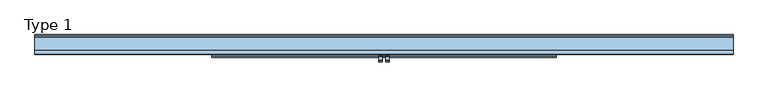
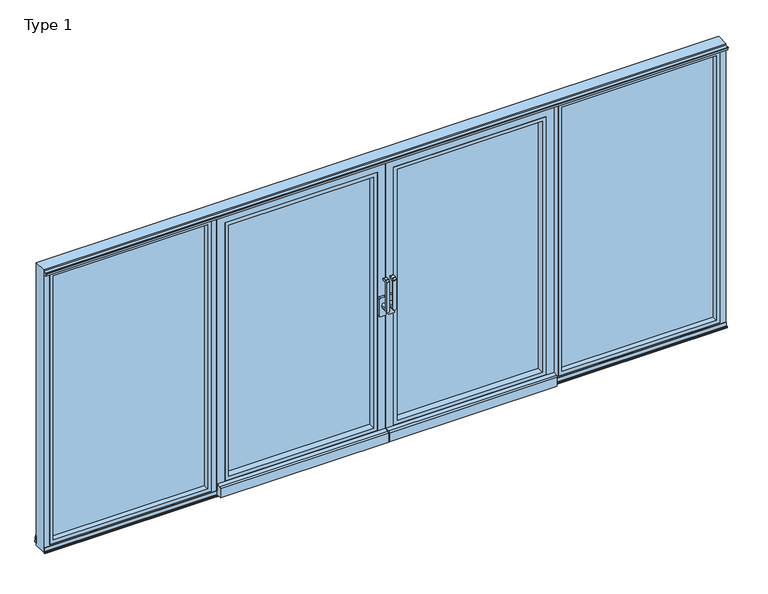
"""IFC4 building model written with IfcOpenShell, lengths in millimetres: window geometry, Type 1."""

from ifc_helpers import new_model, si_unit, point, frame, frame_2d, origin, place, context, project, spatial, polyline, circle_curve, trimmed, segment, composite_curve, outline, extrude, faceted_brep, source, transform, mapped, element, save
from ifc_brep_helpers import plane_surface, cylinder_surface, revolved_surface, advanced_brep


def type_1_d0dbc4e7(model_context):
    return source(origin(), model_context, "Body", "SolidModel", [
        advanced_brep(
        [(13.0, -24.481016, 1279.4856576), (13.0, -24.481016, 1060.0), (37.0, -24.481016, 1060.0), (37.0, -24.481016, 1279.4856576), (13.0, 31.000412, 1060.0), (13.0, 31.000412, 1076.0), (37.0, 31.000412, 1076.0), (37.0, 31.000412, 1060.0), (37.0, -12.481016, 1269.8990577), (37.0, -12.481016, 1076.0), (13.0, -12.481016, 1076.0), (13.0, -12.481016, 1269.8990577), (13.0, -5.130356, 1277.2497177), (37.0, -5.130356, 1277.2497177), (13.0, 15.518984, 1277.2497177), (37.0, 15.518984, 1277.2497177), (13.0, 17.518984, 1279.2497177), (37.0, 17.518984, 1279.2497177), (13.0, 17.518984, 1290.2497177), (37.0, 17.518984, 1290.2497177), (13.0, 15.518984, 1292.2497177), (37.0, 15.518984, 1292.2497177), (13.0, -11.7169559, 1292.2497177), (37.0, -11.7169559, 1292.2497177), (13.0, -13.1311695, 1291.6639313), (37.0, -13.1311695, 1291.6639313), (13.0, -23.8952296, 1280.8998712), (37.0, -23.8952296, 1280.8998712)],
        [
            (0, 1),
            (1, 2, circle_curve(frame((25.0, -24.481016, 1060.0), z_axis=(0.0, -1.0, 0.0), x_axis=(-1.0000000000000004, 0.0, 0.0)), 12.0)),
            (2, 3),
            (3, 0),
            (4, 5),
            (5, 6, circle_curve(frame((25.0, 31.000412, 1076.0), z_axis=(0.0, 1.0, 0.0), x_axis=(-1.0000000000000004, 0.0, 0.0)), 12.0)),
            (6, 7),
            (7, 4, circle_curve(frame((25.0, 31.000412, 1060.0), z_axis=(0.0, 1.0, 0.0), x_axis=(-1.0000000000000004, 0.0, 0.0)), 12.0)),
            (7, 2),
            (1, 4),
            (8, 9),
            (9, 10, circle_curve(frame((25.0, -12.481016, 1076.0), z_axis=(0.0, -1.0, 0.0), x_axis=(-1.0000000000000004, 0.0, 0.0)), 12.0)),
            (10, 11),
            (11, 8),
            (12, 13),
            (13, 8, circle_curve(frame((37.0, -5.130356, 1269.8990577), z_axis=(1.0, 0.0, 0.0), x_axis=(0.0, 0.0, -1.0)), 7.35066)),
            (11, 12, circle_curve(frame((13.0, -5.130356, 1269.8990577), z_axis=(-1.0, 0.0, 0.0), x_axis=(0.0, 0.0, -1.0)), 7.35066)),
            (14, 15),
            (15, 13),
            (12, 14),
            (16, 17),
            (17, 15, circle_curve(frame((37.0, 15.518984, 1279.2497177), z_axis=(-1.0, 0.0, 0.0), x_axis=(0.0, 0.0, -1.0)), 2.0)),
            (14, 16, circle_curve(frame((13.0, 15.518984, 1279.2497177), z_axis=(1.0, 0.0, 0.0), x_axis=(0.0, 0.0, -1.0)), 2.0)),
            (18, 19),
            (19, 17),
            (16, 18),
            (20, 21),
            (21, 19, circle_curve(frame((37.0, 15.518984, 1290.2497177), z_axis=(-1.0, 0.0, 0.0), x_axis=(0.0, 0.0, -1.0)), 2.0)),
            (18, 20, circle_curve(frame((13.0, 15.518984, 1290.2497177), z_axis=(1.0, 0.0, 0.0), x_axis=(0.0, 0.0, -1.0)), 2.0)),
            (22, 23),
            (23, 21),
            (20, 22),
            (24, 25),
            (25, 23, circle_curve(frame((37.0, -11.7169559, 1290.2497177), z_axis=(-1.0, 0.0, 0.0), x_axis=(0.0, 0.0, -1.0)), 2.0)),
            (22, 24, circle_curve(frame((13.0, -11.7169559, 1290.2497177), z_axis=(1.0, 0.0, 0.0), x_axis=(0.0, 0.0, -1.0)), 2.0)),
            (26, 27),
            (27, 25),
            (24, 26),
            (3, 27, circle_curve(frame((37.0, -22.481016, 1279.4856576), z_axis=(-1.0, 0.0, 0.0), x_axis=(0.0, 0.0, -1.0)), 2.0)),
            (26, 0, circle_curve(frame((13.0, -22.481016, 1279.4856576), z_axis=(1.0, 0.0, 0.0), x_axis=(0.0, 0.0, -1.0)), 2.0)),
            (10, 5),
            (9, 6),
        ],
        [
            plane_surface(frame((13.0, -24.481016, 1078.0), z_axis=(0.0, -1.0, 0.0), x_axis=(0.0, 0.0, 1.0))),
            plane_surface(frame((13.0, 31.000412, 1078.0), z_axis=(0.0, 1.0, 0.0), x_axis=(0.0, 0.0, -1.0))),
            cylinder_surface(frame((25.0, 31.000412, 1060.0), z_axis=(0.0, -1.0000000000000004, 0.0), x_axis=(-1.0000000000000004, 0.0, 0.0)), 12.0),
            plane_surface(frame((13.0, -12.481016, 1060.0), z_axis=(0.0, 1.0, 0.0), x_axis=(1.0, 0.0, 0.0))),
            revolved_surface(polyline([(37.0, -5.130356, 1262.5483977), (12.999999999999979, -5.130356, 1262.5483977)]), (37.0, -5.130356, 1269.8990577), (1.0000000000000004, 0.0, 0.0)),
            plane_surface(frame((13.0, -5.130356, 1277.2497177), z_axis=(0.0, 0.0, -1.0), x_axis=(1.0, 0.0, 0.0))),
            cylinder_surface(frame((37.0, 15.518984, 1279.2497177), z_axis=(-1.0000000000000004, 0.0, 0.0), x_axis=(0.0, 0.0, -1.0)), 2.0),
            plane_surface(frame((13.0, 17.518984, 1279.2497177), z_axis=(0.0, 1.0, 0.0), x_axis=(1.0, 0.0, 0.0))),
            cylinder_surface(frame((37.0, 15.518984, 1290.2497177), z_axis=(-1.0000000000000004, 0.0, 0.0), x_axis=(0.0, 0.0, -1.0)), 2.0),
            plane_surface(frame((13.0, 15.518984, 1292.2497177), z_axis=(0.0, 0.0, 1.0), x_axis=(1.0, 0.0, 0.0))),
            cylinder_surface(frame((37.0, -11.7169559, 1290.2497177), z_axis=(-1.0000000000000004, 0.0, 0.0), x_axis=(0.0, 0.0, -1.0)), 2.0),
            plane_surface(frame((13.0, -13.1311695, 1291.6639313), z_axis=(0.0, -0.7071067811865431, 0.7071067811865518), x_axis=(1.0, 0.0, 0.0))),
            cylinder_surface(frame((37.0, -22.481016, 1279.4856576), z_axis=(-1.0000000000000004, 0.0, 0.0), x_axis=(0.0, 0.0, -1.0)), 2.0),
            plane_surface(frame((13.0, -24.481016, 1060.0), z_axis=(-1.0, 0.0, 0.0), x_axis=(0.0, 1.0, 0.0))),
            cylinder_surface(frame((25.0, 31.000412, 1076.0), z_axis=(0.0, -1.0000000000000004, 0.0), x_axis=(-1.0000000000000004, 0.0, 0.0)), 12.0),
            plane_surface(frame((37.0, -24.481016, 1076.0), z_axis=(1.0, 0.0, 0.0), x_axis=(0.0, 1.0, 0.0))),
        ],
        [
            (0, [[1, 2, 3, 4]]),
            (1, [[5, 6, 7, 8]]),
            (2, [[-8, 9, -2, 10]]),
            (3, [[11, 12, 13, 14]]),
            (4, [[15, 16, -14, 17]]),
            (5, [[18, 19, -15, 20]]),
            (6, [[21, 22, -18, 23]]),
            (7, [[24, 25, -21, 26]]),
            (8, [[27, 28, -24, 29]]),
            (9, [[30, 31, -27, 32]]),
            (10, [[33, 34, -30, 35]]),
            (11, [[36, 37, -33, 38]]),
            (12, [[-4, 39, -36, 40]]),
            (13, [[-40, -38, -35, -32, -29, -26, -23, -20, -17, -13, 41, -5, -10, -1]]),
            (14, [[-41, -12, 42, -6]]),
            (15, [[-9, -7, -42, -11, -16, -19, -22, -25, -28, -31, -34, -37, -39, -3]]),
        ],
    ),
        extrude(outline(composite_curve([segment(trimmed(circle_curve(frame_2d((1124.8499908, 14.0499878)), 7.0), [point((1131.8499908, 14.0499878))], [point((1124.8499908, 7.0499878))], False, "CARTESIAN"), True, "CONTINUOUS"), segment(polyline([(1124.8499908, 7.0499878), (995.1500092, 7.0499878)]), True, "CONTINUOUS"), segment(trimmed(circle_curve(frame_2d((995.1500092, 14.0499878)), 7.0), [point((995.1500092, 7.0499878))], [point((988.1500092, 14.0499878))], False, "CARTESIAN"), True, "CONTINUOUS"), segment(polyline([(988.1500092, 14.0499878), (988.1500092, 47.9500122)]), True, "CONTINUOUS"), segment(trimmed(circle_curve(frame_2d((995.1500092, 47.9500122)), 7.0), [point((988.1500092, 47.9500122))], [point((995.1500092, 54.9500122))], False, "CARTESIAN"), True, "CONTINUOUS"), segment(polyline([(995.1500092, 54.9500122), (1124.8499908, 54.9500122)]), True, "CONTINUOUS"), segment(trimmed(circle_curve(frame_2d((1124.8499908, 47.9500122)), 7.0), [point((1124.8499908, 54.9500122))], [point((1131.8499908, 47.9500122))], False, "CARTESIAN"), True, "CONTINUOUS"), segment(polyline([(1131.8499908, 47.9500122), (1131.8499908, 14.0499878)]), True, "CONTINUOUS")], self_intersect=False)), frame((0.0, 31.000412, 0.0), z_axis=(0.0, 1.0, 0.0), x_axis=(0.0, 0.0, 1.0)), (0.0, 0.0, 1.0), 18.9999542),
        faceted_brep([(-8.5004272, 60.0, 68.9995728), (-8.5004272, 145.0008469, 68.9995728), (23.4995728, 145.0008469, 68.9995728), (23.4995728, 60.0, 68.9995728), (-8.5004272, 60.0, 2131.0004272), (-8.5004272, 145.0008469, 2131.0004272), (-8.5004272, 145.0008469, 2109.001666), (-8.5004272, 145.0008469, 90.998334), (23.4995728, 145.0008469, 90.998334), (23.4995728, 145.0008469, 2131.0004272), (23.4995728, 145.0008469, 2109.001666), (23.4995728, 60.0, 2131.0004272), (-38.501666, 145.0008469, 2109.001666), (-38.501666, 145.0008469, 90.998334), (38.498334, 145.0008469, 90.998334), (38.498334, 145.0008469, 2109.001666), (-38.501666, 150.0008469, 90.998334), (38.498334, 150.0008469, 90.998334), (-38.501666, 150.0008469, 2109.001666), (38.498334, 150.0008469, 2109.001666)], [[[0, 1, 2, 3]], [[4, 5, 6, 7, 1, 0]], [[2, 1, 7, 8]], [[5, 9, 10, 6]], [[9, 11, 3, 2, 8, 10]], [[11, 4, 0, 3]], [[12, 13, 7, 6]], [[14, 15, 10, 8]], [[16, 17, 14, 8, 7, 13]], [[18, 19, 17, 16]], [[19, 15, 14, 17]], [[12, 18, 16, 13]], [[4, 11, 9, 5]], [[18, 12, 6, 10, 15, 19]]]),
        extrude(outline(polyline([(2095.0004272, 1172.0004272), (2095.0004272, 59.4995728), (104.9995728, 59.4995728), (104.9995728, 1172.0004272), (2095.0004272, 1172.0004272)]), holes=[polyline([(131.9995728, 1145.0004272), (131.9995728, 86.4995728), (2068.0004272, 86.4995728), (2068.0004272, 1145.0004272), (131.9995728, 1145.0004272)])]), frame((0.0, 50.0003662, 0.0), z_axis=(0.0, 1.0, 0.0), x_axis=(0.0, 0.0, 1.0)), (0.0, 0.0, 1.0), 50.9995338),
        extrude(outline(polyline([(1164.000061, 101.0004798), (67.499939, 101.0004798), (67.499939, 139.0004798), (1164.000061, 139.0004798), (1164.000061, 101.0004798)])), frame((0.0, 0.0, 112.999939), z_axis=(0.0, 0.0, 1.0), x_axis=(1.0, 0.0, 0.0)), (0.0, 0.0, 1.0), 1974.0001221),
        faceted_brep([(59.4995728, 101.0004798, 2095.0004272), (59.4995728, 50.0003662, 2095.0004272), (59.4995728, 50.0003662, 104.9995728), (59.4995728, 101.0004798, 104.9995728), (3.4995728, 50.0003662, 48.9995728), (1228.0004272, 50.0003662, 48.9995728), (1228.0004272, 50.0003662, 2151.0004272), (3.4995728, 50.0003662, 2151.0004272), (1172.0004272, 50.0003662, 2095.0004272), (1172.0004272, 50.0003662, 104.9995728), (1172.0004272, 101.0004798, 104.9995728), (1172.0004272, 101.0004798, 2095.0004272), (67.499939, 101.0004798, 2087.000061), (1164.000061, 101.0004798, 2087.000061), (1164.000061, 101.0004798, 112.999939), (67.499939, 101.0004798, 112.999939), (67.499939, 139.0004798, 2087.000061), (67.499939, 139.0004798, 112.999939), (1164.000061, 139.0004798, 112.999939), (1164.000061, 139.0004798, 2087.000061), (81.4995728, 139.0004798, 2073.0004272), (1150.0004272, 139.0004798, 2073.0004272), (1150.0004272, 139.0004798, 126.9995728), (81.4995728, 139.0004798, 126.9995728), (81.4995728, 150.0008469, 2073.0004272), (81.4995728, 150.0008469, 126.9995728), (1150.0004272, 150.0008469, 126.9995728), (45.498334, 150.0008469, 2109.001666), (1186.001666, 150.0008469, 2109.001666), (1186.001666, 150.0008469, 90.998334), (45.498334, 150.0008469, 90.998334), (1150.0004272, 150.0008469, 2073.0004272), (45.498334, 145.0008469, 90.998334), (1186.001666, 145.0008469, 90.998334), (1186.001666, 145.0008469, 2109.001666), (23.4995728, 145.0008469, 2131.0004272), (1208.0004272, 145.0008469, 2131.0004272), (1208.0004272, 145.0008469, 68.9995728), (23.4995728, 145.0008469, 68.9995728), (45.498334, 145.0008469, 2109.001666), (23.4995728, 60.0, 68.9995728), (1208.0004272, 60.0, 68.9995728), (1208.0004272, 60.0, 2131.0004272), (3.4995728, 60.0, 2151.0004272), (1228.0004272, 60.0, 2151.0004272), (1228.0004272, 60.0, 48.9995728), (3.4995728, 60.0, 48.9995728), (23.4995728, 60.0, 2131.0004272)], [[[0, 1, 2, 3]], [[4, 5, 6, 7], [1, 8, 9, 2]], [[3, 2, 9, 10]], [[3, 10, 11, 0], [12, 13, 14, 15]], [[16, 12, 15, 17]], [[17, 15, 14, 18]], [[17, 18, 19, 16], [20, 21, 22, 23]], [[24, 20, 23, 25]], [[25, 23, 22, 26]], [[27, 28, 29, 30], [25, 26, 31, 24]], [[10, 9, 8, 11]], [[18, 14, 13, 19]], [[26, 22, 21, 31]], [[32, 30, 29, 33]], [[33, 29, 28, 34]], [[35, 36, 37, 38], [32, 33, 34, 39]], [[40, 38, 37, 41]], [[41, 37, 36, 42]], [[43, 44, 45, 46], [40, 41, 42, 47]], [[4, 46, 45, 5]], [[5, 45, 44, 6]], [[11, 8, 1, 0]], [[19, 13, 12, 16]], [[31, 21, 20, 24]], [[34, 28, 27, 39]], [[42, 36, 35, 47]], [[6, 44, 43, 7]], [[39, 27, 30, 32]], [[47, 35, 38, 40]], [[7, 43, 46, 4]]]),
        extrude(outline(composite_curve([segment(polyline([(19.7435257, 99.4362874), (50.0003662, 102.0834169), (50.0003662, 19.2739514), (9.1103627, 19.2739514), (9.1103627, 87.8322266)]), True, "CONTINUOUS"), segment(trimmed(circle_curve(frame_2d((20.7587491, 87.8322266)), 11.6483864), [point((9.1103627, 87.8322266))], [point((19.7435257, 99.4362874))], False, "CARTESIAN"), True, "CONTINUOUS")], self_intersect=False)), frame((3.4995728, 0.0, 0.0), z_axis=(1.0, 0.0, 0.0), x_axis=(0.0, 1.0, 0.0)), (0.0, 0.0, 1.0), 1224.5008545),
        advanced_brep(
        [(-13.0, -24.481016, 1279.4856576), (-37.0, -24.481016, 1279.4856576), (-37.0, -24.481016, 1060.0), (-13.0, -24.481016, 1060.0), (-13.0, 31.000412, 1060.0), (-37.0, 31.000412, 1060.0), (-37.0, 31.000412, 1076.0), (-13.0, 31.000412, 1076.0), (-37.0, -12.481016, 1269.8990577), (-13.0, -12.481016, 1269.8990577), (-13.0, -12.481016, 1076.0), (-37.0, -12.481016, 1076.0), (-13.0, -5.130356, 1277.2497177), (-37.0, -5.130356, 1277.2497177), (-13.0, 15.518984, 1277.2497177), (-37.0, 15.518984, 1277.2497177), (-13.0, 17.518984, 1279.2497177), (-37.0, 17.518984, 1279.2497177), (-13.0, 17.518984, 1290.2497177), (-37.0, 17.518984, 1290.2497177), (-13.0, 15.518984, 1292.2497177), (-37.0, 15.518984, 1292.2497177), (-13.0, -11.7169559, 1292.2497177), (-37.0, -11.7169559, 1292.2497177), (-13.0, -13.1311695, 1291.6639313), (-37.0, -13.1311695, 1291.6639313), (-13.0, -23.8952296, 1280.8998712), (-37.0, -23.8952296, 1280.8998712)],
        [
            (0, 1),
            (1, 2),
            (2, 3, circle_curve(frame((-25.0, -24.481016, 1060.0), z_axis=(0.0, -1.0, 0.0), x_axis=(1.0000000000000004, 0.0, 0.0)), 12.0)),
            (3, 0),
            (4, 5, circle_curve(frame((-25.0, 31.000412, 1060.0), z_axis=(0.0, 1.0, 0.0), x_axis=(1.0000000000000004, 0.0, 0.0)), 12.0)),
            (5, 6),
            (6, 7, circle_curve(frame((-25.0, 31.000412, 1076.0), z_axis=(0.0, 1.0, 0.0), x_axis=(1.0000000000000004, 0.0, 0.0)), 12.0)),
            (7, 4),
            (4, 3),
            (2, 5),
            (8, 9),
            (9, 10),
            (10, 11, circle_curve(frame((-25.0, -12.481016, 1076.0), z_axis=(0.0, -1.0, 0.0), x_axis=(1.0000000000000004, 0.0, 0.0)), 12.0)),
            (11, 8),
            (12, 9, circle_curve(frame((-13.0, -5.130356, 1269.8990577), z_axis=(1.0, 0.0, 0.0), x_axis=(0.0, 0.0, -1.0)), 7.35066)),
            (8, 13, circle_curve(frame((-37.0, -5.130356, 1269.8990577), z_axis=(-1.0, 0.0, 0.0), x_axis=(0.0, 0.0, -1.0)), 7.35066)),
            (13, 12),
            (14, 12),
            (13, 15),
            (15, 14),
            (16, 14, circle_curve(frame((-13.0, 15.518984, 1279.2497177), z_axis=(-1.0, 0.0, 0.0), x_axis=(0.0, 0.0, -1.0)), 2.0)),
            (15, 17, circle_curve(frame((-37.0, 15.518984, 1279.2497177), z_axis=(1.0, 0.0, 0.0), x_axis=(0.0, 0.0, -1.0)), 2.0)),
            (17, 16),
            (18, 16),
            (17, 19),
            (19, 18),
            (20, 18, circle_curve(frame((-13.0, 15.518984, 1290.2497177), z_axis=(-1.0, 0.0, 0.0), x_axis=(0.0, 0.0, -1.0)), 2.0)),
            (19, 21, circle_curve(frame((-37.0, 15.518984, 1290.2497177), z_axis=(1.0, 0.0, 0.0), x_axis=(0.0, 0.0, -1.0)), 2.0)),
            (21, 20),
            (22, 20),
            (21, 23),
            (23, 22),
            (24, 22, circle_curve(frame((-13.0, -11.7169559, 1290.2497177), z_axis=(-1.0, 0.0, 0.0), x_axis=(0.0, 0.0, -1.0)), 2.0)),
            (23, 25, circle_curve(frame((-37.0, -11.7169559, 1290.2497177), z_axis=(1.0, 0.0, 0.0), x_axis=(0.0, 0.0, -1.0)), 2.0)),
            (25, 24),
            (26, 24),
            (25, 27),
            (27, 26),
            (0, 26, circle_curve(frame((-13.0, -22.481016, 1279.4856576), z_axis=(-1.0, 0.0, 0.0), x_axis=(0.0, 0.0, -1.0)), 2.0)),
            (27, 1, circle_curve(frame((-37.0, -22.481016, 1279.4856576), z_axis=(1.0, 0.0, 0.0), x_axis=(0.0, 0.0, -1.0)), 2.0)),
            (7, 10),
            (6, 11),
        ],
        [
            plane_surface(frame((-13.0, -24.481016, 1078.0), z_axis=(0.0, -1.0, 0.0), x_axis=(0.0, 0.0, 1.0))),
            plane_surface(frame((-13.0, 31.000412, 1078.0), z_axis=(0.0, 1.0, 0.0), x_axis=(0.0, 0.0, -1.0))),
            cylinder_surface(frame((-25.0, 31.000412, 1060.0), z_axis=(0.0, -1.0000000000000004, 0.0), x_axis=(1.0000000000000004, 0.0, 0.0)), 12.0),
            plane_surface(frame((-13.0, -12.481016, 1060.0), z_axis=(0.0, 1.0, 0.0), x_axis=(-1.0, 0.0, 0.0))),
            revolved_surface(polyline([(-37.0, -5.130356, 1262.5483977), (-12.999999999999979, -5.130356, 1262.5483977)]), (-37.0, -5.130356, 1269.8990577), (-1.0000000000000004, 0.0, 0.0)),
            plane_surface(frame((-13.0, -5.130356, 1277.2497177), z_axis=(0.0, 0.0, -1.0), x_axis=(-1.0, 0.0, 0.0))),
            cylinder_surface(frame((-37.0, 15.518984, 1279.2497177), z_axis=(1.0000000000000004, 0.0, 0.0), x_axis=(0.0, 0.0, -1.0)), 2.0),
            plane_surface(frame((-13.0, 17.518984, 1279.2497177), z_axis=(0.0, 1.0, 0.0), x_axis=(-1.0, 0.0, 0.0))),
            cylinder_surface(frame((-37.0, 15.518984, 1290.2497177), z_axis=(1.0000000000000004, 0.0, 0.0), x_axis=(0.0, 0.0, -1.0)), 2.0),
            plane_surface(frame((-13.0, 15.518984, 1292.2497177), z_axis=(0.0, 0.0, 1.0), x_axis=(-1.0, 0.0, 0.0))),
            cylinder_surface(frame((-37.0, -11.7169559, 1290.2497177), z_axis=(1.0000000000000004, 0.0, 0.0), x_axis=(0.0, 0.0, -1.0)), 2.0),
            plane_surface(frame((-13.0, -13.1311695, 1291.6639313), z_axis=(0.0, -0.7071067811865431, 0.7071067811865518), x_axis=(-1.0, 0.0, 0.0))),
            cylinder_surface(frame((-37.0, -22.481016, 1279.4856576), z_axis=(1.0000000000000004, 0.0, 0.0), x_axis=(0.0, 0.0, -1.0)), 2.0),
            plane_surface(frame((-13.0, -24.481016, 1060.0), z_axis=(1.0, 0.0, 0.0), x_axis=(0.0, 1.0, 0.0))),
            cylinder_surface(frame((-25.0, 31.000412, 1076.0), z_axis=(0.0, -1.0000000000000004, 0.0), x_axis=(1.0000000000000004, 0.0, 0.0)), 12.0),
            plane_surface(frame((-37.0, -24.481016, 1076.0), z_axis=(-1.0, 0.0, 0.0), x_axis=(0.0, 1.0, 0.0))),
        ],
        [
            (0, [[1, 2, 3, 4]]),
            (1, [[5, 6, 7, 8]]),
            (2, [[9, -3, 10, -5]]),
            (3, [[11, 12, 13, 14]]),
            (4, [[15, -11, 16, 17]]),
            (5, [[18, -17, 19, 20]]),
            (6, [[21, -20, 22, 23]]),
            (7, [[24, -23, 25, 26]]),
            (8, [[27, -26, 28, 29]]),
            (9, [[30, -29, 31, 32]]),
            (10, [[33, -32, 34, 35]]),
            (11, [[36, -35, 37, 38]]),
            (12, [[39, -38, 40, -1]]),
            (13, [[-4, -9, -8, 41, -12, -15, -18, -21, -24, -27, -30, -33, -36, -39]]),
            (14, [[-7, 42, -13, -41]]),
            (15, [[-2, -40, -37, -34, -31, -28, -25, -22, -19, -16, -14, -42, -6, -10]]),
        ],
    ),
        extrude(outline(composite_curve([segment(polyline([(1131.8499908, -14.0499878), (1131.8499908, -47.9500122)]), True, "CONTINUOUS"), segment(trimmed(circle_curve(frame_2d((1124.8499908, -47.9500122)), 7.0), [point((1131.8499908, -47.9500122))], [point((1124.8499908, -54.9500122))], False, "CARTESIAN"), True, "CONTINUOUS"), segment(polyline([(1124.8499908, -54.9500122), (995.1500092, -54.9500122)]), True, "CONTINUOUS"), segment(trimmed(circle_curve(frame_2d((995.1500092, -47.9500122)), 7.0), [point((995.1500092, -54.9500122))], [point((988.1500092, -47.9500122))], False, "CARTESIAN"), True, "CONTINUOUS"), segment(polyline([(988.1500092, -47.9500122), (988.1500092, -14.0499878)]), True, "CONTINUOUS"), segment(trimmed(circle_curve(frame_2d((995.1500092, -14.0499878)), 7.0), [point((988.1500092, -14.0499878))], [point((995.1500092, -7.0499878))], False, "CARTESIAN"), True, "CONTINUOUS"), segment(polyline([(995.1500092, -7.0499878), (1124.8499908, -7.0499878)]), True, "CONTINUOUS"), segment(trimmed(circle_curve(frame_2d((1124.8499908, -14.0499878)), 7.0), [point((1124.8499908, -7.0499878))], [point((1131.8499908, -14.0499878))], False, "CARTESIAN"), True, "CONTINUOUS")], self_intersect=False)), frame((0.0, 31.000412, 0.0), z_axis=(0.0, 1.0, 0.0), x_axis=(0.0, 0.0, 1.0)), (0.0, 0.0, 1.0), 18.9999542),
        extrude(outline(polyline([(2095.0004272, -1172.0004272), (104.9995728, -1172.0004272), (104.9995728, -59.4995728), (2095.0004272, -59.4995728), (2095.0004272, -1172.0004272)]), holes=[polyline([(131.9995728, -1145.0004272), (2068.0004272, -1145.0004272), (2068.0004272, -86.4995728), (131.9995728, -86.4995728), (131.9995728, -1145.0004272)])]), frame((0.0, 50.0003662, 0.0), z_axis=(0.0, 1.0, 0.0), x_axis=(0.0, 0.0, 1.0)), (0.0, 0.0, 1.0), 50.9995338),
        extrude(outline(polyline([(-1164.000061, 101.0004798), (-1164.000061, 139.0004798), (-67.499939, 139.0004798), (-67.499939, 101.0004798), (-1164.000061, 101.0004798)])), frame((0.0, 0.0, 112.999939), z_axis=(0.0, 0.0, 1.0), x_axis=(1.0, 0.0, 0.0)), (0.0, 0.0, 1.0), 1974.0001221),
        faceted_brep([(-59.4995728, 101.0004798, 2095.0004272), (-59.4995728, 101.0004798, 104.9995728), (-59.4995728, 50.0003662, 104.9995728), (-59.4995728, 50.0003662, 2095.0004272), (-3.4995728, 50.0003662, 48.9995728), (-3.4995728, 50.0003662, 2151.0004272), (-1228.0004272, 50.0003662, 2151.0004272), (-1228.0004272, 50.0003662, 48.9995728), (-1172.0004272, 50.0003662, 104.9995728), (-1172.0004272, 50.0003662, 2095.0004272), (-1172.0004272, 101.0004798, 104.9995728), (-1172.0004272, 101.0004798, 2095.0004272), (-67.499939, 101.0004798, 2087.000061), (-67.499939, 101.0004798, 112.999939), (-1164.000061, 101.0004798, 112.999939), (-1164.000061, 101.0004798, 2087.000061), (-67.499939, 139.0004798, 2087.000061), (-67.499939, 139.0004798, 112.999939), (-1164.000061, 139.0004798, 112.999939), (-1164.000061, 139.0004798, 2087.000061), (-81.4995728, 139.0004798, 2073.0004272), (-81.4995728, 139.0004798, 126.9995728), (-1150.0004272, 139.0004798, 126.9995728), (-1150.0004272, 139.0004798, 2073.0004272), (-81.4995728, 150.0008469, 2073.0004272), (-81.4995728, 150.0008469, 126.9995728), (-1150.0004272, 150.0008469, 126.9995728), (-45.498334, 150.0008469, 2109.001666), (-45.498334, 150.0008469, 90.998334), (-1186.001666, 150.0008469, 90.998334), (-1186.001666, 150.0008469, 2109.001666), (-1150.0004272, 150.0008469, 2073.0004272), (-45.498334, 145.0008469, 90.998334), (-1186.001666, 145.0008469, 90.998334), (-1186.001666, 145.0008469, 2109.001666), (-23.4995728, 145.0008469, 2131.0004272), (-23.4995728, 145.0008469, 68.9995728), (-1208.0004272, 145.0008469, 68.9995728), (-1208.0004272, 145.0008469, 2131.0004272), (-45.498334, 145.0008469, 2109.001666), (-23.4995728, 60.0, 68.9995728), (-1208.0004272, 60.0, 68.9995728), (-1208.0004272, 60.0, 2131.0004272), (-3.4995728, 60.0, 2151.0004272), (-3.4995728, 60.0, 48.9995728), (-1228.0004272, 60.0, 48.9995728), (-1228.0004272, 60.0, 2151.0004272), (-23.4995728, 60.0, 2131.0004272)], [[[0, 1, 2, 3]], [[4, 5, 6, 7], [3, 2, 8, 9]], [[1, 10, 8, 2]], [[1, 0, 11, 10], [12, 13, 14, 15]], [[16, 17, 13, 12]], [[17, 18, 14, 13]], [[17, 16, 19, 18], [20, 21, 22, 23]], [[24, 25, 21, 20]], [[25, 26, 22, 21]], [[27, 28, 29, 30], [25, 24, 31, 26]], [[10, 11, 9, 8]], [[18, 19, 15, 14]], [[26, 31, 23, 22]], [[32, 33, 29, 28]], [[33, 34, 30, 29]], [[35, 36, 37, 38], [32, 39, 34, 33]], [[40, 41, 37, 36]], [[41, 42, 38, 37]], [[43, 44, 45, 46], [40, 47, 42, 41]], [[4, 7, 45, 44]], [[7, 6, 46, 45]], [[11, 0, 3, 9]], [[19, 16, 12, 15]], [[31, 24, 20, 23]], [[34, 39, 27, 30]], [[42, 47, 35, 38]], [[6, 5, 43, 46]], [[39, 32, 28, 27]], [[47, 40, 36, 35]], [[5, 4, 44, 43]]]),
        extrude(outline(composite_curve([segment(polyline([(19.7435257, 99.4362874), (50.0003662, 102.0834169), (50.0003662, 19.2739514), (9.1103627, 19.2739514), (9.1103627, 87.8322266)]), True, "CONTINUOUS"), segment(trimmed(circle_curve(frame_2d((20.7587491, 87.8322266)), 11.6483864), [point((9.1103627, 87.8322266))], [point((19.7435257, 99.4362874))], False, "CARTESIAN"), True, "CONTINUOUS")], self_intersect=False)), frame((-1228.0004272, 0.0, 0.0), z_axis=(1.0, 0.0, 0.0), x_axis=(0.0, 1.0, 0.0)), (0.0, 0.0, 1.0), 1224.5008545),
        extrude(outline(polyline([(53.999873, -1266.9999365), (2146.000127, -1266.9999365), (2146.000127, -2446.000127), (53.999873, -2446.000127), (53.999873, -1266.9999365)]), holes=[polyline([(2119.0002981, -1293.9997654), (80.9997019, -1293.9997654), (80.9997019, -2419.0002981), (2119.0002981, -2419.0002981), (2119.0002981, -1293.9997654)])]), frame((0.0, 60.0, 0.0), z_axis=(0.0, 1.0, 0.0), x_axis=(0.0, 0.0, 1.0)), (0.0, 0.0, 1.0), 40.9994463),
        extrude(outline(polyline([(2146.000127, 1266.9999365), (53.999873, 1266.9999365), (53.999873, 2446.000127), (2146.000127, 2446.000127), (2146.000127, 1266.9999365)]), holes=[polyline([(80.999873, 1293.9999365), (2119.000127, 1293.9999365), (2119.000127, 2419.000127), (80.999873, 2419.000127), (80.999873, 1293.9999365)])]), frame((0.0, 60.0, 0.0), z_axis=(0.0, 1.0, 0.0), x_axis=(0.0, 0.0, 1.0)), (0.0, 0.0, 1.0), 40.9994463),
        faceted_brep([(2490.0, 150.0, 10.0), (-2490.0, 150.0, 10.0), (-2490.0, 150.0, 2190.0), (2490.0, 150.0, 2190.0), (-1193.0043715, 150.0, 84.0), (1193.0043715, 150.0, 84.0), (1193.0043715, 150.0, 2116.0), (-1193.0043715, 150.0, 2116.0), (-2416.0, 150.0, 84.0), (-1297.0043715, 150.0, 84.0), (-1297.0043715, 150.0, 2116.0), (-2416.0, 150.0, 2116.0), (2416.0, 150.0, 2116.0), (1297.0043715, 150.0, 2116.0), (1297.0043715, 150.0, 84.0), (2416.0, 150.0, 84.0), (2416.0, 139.0006409, 84.0), (2416.0, 139.0006409, 2116.0), (2438.00006, 139.0006409, 61.99994), (2438.00006, 139.0006409, 2138.00006), (1274.99994, 139.0006409, 2138.00006), (1274.99994, 139.0006409, 61.99994), (1297.0, 139.0006409, 84.0), (1297.0, 139.0006409, 2116.0), (-1193.0043715, 145.0004398, 84.0), (1193.0043715, 145.0004398, 84.0), (-2416.0, 139.0006409, 84.0), (-1297.0, 139.0006409, 84.0), (2490.0, 60.0, 2190.0), (2490.0, 60.0, 10.0), (-2490.0, 60.0, 10.0), (-2490.0, 60.0, 2190.0), (2446.000127, 60.0, 53.999873), (1266.9999365, 60.0, 53.999873), (1266.9999365, 60.0, 2146.000127), (2446.000127, 60.0, 2146.000127), (-2446.000127, 60.0, 2146.000127), (-1266.9999365, 60.0, 2146.000127), (-1266.9999365, 60.0, 53.999873), (-2446.000127, 60.0, 53.999873), (-1223.0000635, 60.0, 2146.000127), (1223.0000635, 60.0, 2146.000127), (1223.0000635, 60.0, 53.999873), (-1223.0000635, 60.0, 53.999873), (-1297.0043715, 139.0006409, 2116.0), (-1274.99994, 139.0006409, 61.99994), (-1274.99994, 139.0006409, 2138.00006), (-2438.00006, 139.0006409, 2138.00006), (-2438.00006, 139.0006409, 61.99994), (-2416.0, 139.0006409, 2116.0), (-1193.0043715, 145.0004398, 2116.0), (1193.0043715, 145.0004398, 2116.0), (-1223.0000635, 145.0004398, 53.999873), (1223.0000635, 145.0004398, 53.999873), (1223.0000635, 145.0004398, 2146.000127), (-1223.0000635, 145.0004398, 2146.000127), (-2446.000127, 100.9994463, 53.999873), (-2446.000127, 100.9994463, 2146.000127), (-1266.9999365, 100.9994463, 53.999873), (2446.000127, 100.9994463, 53.999873), (1266.9999365, 100.9994463, 53.999873), (-1266.9999365, 100.9994463, 2146.000127), (2446.000127, 100.9994463, 2146.000127), (1266.9999365, 100.9994463, 2146.000127), (1274.99994, 100.9994463, 61.99994), (1274.99994, 100.9994463, 2138.00006), (2438.00006, 100.9994463, 2138.00006), (2438.00006, 100.9994463, 61.99994), (-2438.00006, 100.9994463, 61.99994), (-2438.00006, 100.9994463, 2138.00006), (-1274.99994, 100.9994463, 2138.00006), (-1274.99994, 100.9994463, 61.99994)], [[[0, 1, 2, 3], [4, 5, 6, 7], [8, 9, 10, 11], [12, 13, 14, 15]], [[15, 16, 17, 12]], [[18, 19, 20, 21], [22, 23, 17, 16]], [[24, 25, 5, 4]], [[14, 22, 16, 15]], [[8, 26, 27, 9]], [[28, 29, 0, 3]], [[29, 30, 1, 0]], [[28, 31, 30, 29], [32, 33, 34, 35], [36, 37, 38, 39], [40, 41, 42, 43]], [[27, 44, 10, 9]], [[45, 46, 47, 48], [26, 49, 44, 27]], [[8, 11, 49, 26]], [[24, 4, 7, 50]], [[51, 6, 5, 25]], [[52, 53, 54, 55], [50, 51, 25, 24]], [[13, 23, 22, 14]], [[30, 31, 2, 1]], [[39, 56, 57, 36]], [[43, 42, 53, 52]], [[38, 58, 56, 39]], [[32, 59, 60, 33]], [[37, 61, 58, 38]], [[35, 62, 59, 32]], [[33, 60, 63, 34]], [[43, 52, 55, 40]], [[41, 54, 53, 42]], [[62, 63, 60, 59], [64, 65, 66, 67]], [[58, 61, 57, 56], [68, 69, 70, 71]], [[67, 66, 19, 18]], [[18, 21, 64, 67]], [[21, 20, 65, 64]], [[48, 47, 69, 68]], [[68, 71, 45, 48]], [[71, 70, 46, 45]], [[3, 2, 31, 28]], [[55, 54, 41, 40]], [[36, 57, 61, 37]], [[34, 63, 62, 35]], [[7, 6, 51, 50]], [[11, 10, 44, 49]], [[12, 17, 23, 13]], [[20, 19, 66, 65]], [[70, 69, 47, 46]]]),
        extrude(outline(polyline([(-2438.00006, 100.9994463), (-2438.00006, 139.0006409), (-1274.99994, 139.0006409), (-1274.99994, 100.9994463), (-2438.00006, 100.9994463)])), frame((0.0, 0.0, 61.99994), z_axis=(0.0, 0.0, 1.0), x_axis=(1.0, 0.0, 0.0)), (0.0, 0.0, 1.0), 2076.0001199),
        extrude(outline(polyline([(1274.99994, 100.9994463), (1274.99994, 139.0006409), (2438.00006, 139.0006409), (2438.00006, 100.9994463), (1274.99994, 100.9994463)])), frame((0.0, 0.0, 61.99994), z_axis=(0.0, 0.0, 1.0), x_axis=(1.0, 0.0, 0.0)), (0.0, 0.0, 1.0), 2076.0001199),
        extrude(outline(composite_curve([segment(polyline([(60.0, 2178.0006641), (60.0, 2156.1025501), (35.217534, 2156.1025501), (35.217534, 2174.4849831)]), True, "CONTINUOUS"), segment(trimmed(circle_curve(frame_2d((33.1686587, 2174.4849831)), 2.0488753), [point((35.217534, 2174.4849831))], [point((32.1440644, 2176.2592708))], True, "CARTESIAN"), True, "CONTINUOUS"), segment(polyline([(32.1440644, 2176.2592708), (29.6454751, 2174.8164155)]), True, "CONTINUOUS"), segment(trimmed(circle_curve(frame_2d((29.2454173, 2175.5091948)), 0.7999934), [point((29.6454751, 2174.8164155))], [point((28.845455, 2176.2020294))], False, "CARTESIAN"), True, "CONTINUOUS"), segment(polyline([(28.845455, 2176.2020294), (31.3786793, 2177.664419)]), True, "CONTINUOUS"), segment(trimmed(circle_curve(frame_2d((32.633688, 2175.4904304)), 2.5102337), [point((31.3786793, 2177.664419))], [point((32.633688, 2178.0006641))], False, "CARTESIAN"), True, "CONTINUOUS"), segment(polyline([(32.633688, 2178.0006641), (60.0, 2178.0006641)]), True, "CONTINUOUS")], self_intersect=False)), frame((-2490.0, 0.0, 0.0), z_axis=(1.0, 0.0, 0.0), x_axis=(0.0, 1.0, 0.0)), (0.0, 0.0, 1.0), 4980.0),
        extrude(outline(polyline([(159.9992924, 83.9604061), (169.9989353, 23.9604061), (150.0, 23.9604061), (150.0, 83.9604061), (159.9992924, 83.9604061)])), frame((-2490.0, 0.0, 0.0), z_axis=(1.0, 0.0, 0.0), x_axis=(0.0, 1.0, 0.0)), (0.0, 0.0, 1.0), 4980.0),
        extrude(outline(polyline([(43.4998834, 13.0001167), (46.0083235, 13.0001167), (46.0083235, 20.4534802), (50.9735913, 20.4534802), (50.9735913, 13.0001167), (53.7998836, 13.0001167), (53.7998836, 44.0001167), (60.0, 44.0001167), (60.0, 10.0), (43.4998834, 10.0), (43.4998834, 13.0001167)])), frame((-2490.0, 0.0, 0.0), z_axis=(1.0, 0.0, 0.0), x_axis=(0.0, 1.0, 0.0)), (0.0, 0.0, 1.0), 4980.0),
    ])


if __name__ == "__main__":
    model = new_model("IFC4")
    model_context = context("Model", 3, world=origin())
    ifc_project = project(units=[si_unit("LENGTHUNIT", "METRE", prefix="MILLI")], contexts=[model_context])
    site = spatial("IfcSite", under=ifc_project)
    building = spatial("IfcBuilding", under=site)
    placement = place(None, origin())
    type_1_shape = type_1_d0dbc4e7(model_context)
    element("IfcWindow", 1, ObjectType="Type 1", at=placement, inside=building, context=model_context, shape_type="MappedRepresentation", body=[
        mapped(type_1_shape, transform((0.0, 0.0, 0.0), x_axis=(1.0, 0.0, 0.0), y_axis=(0.0, 1.0, 0.0), z_axis=(0.0, 0.0, 1.0))),
    ])
    save(model, "model.ifc")
